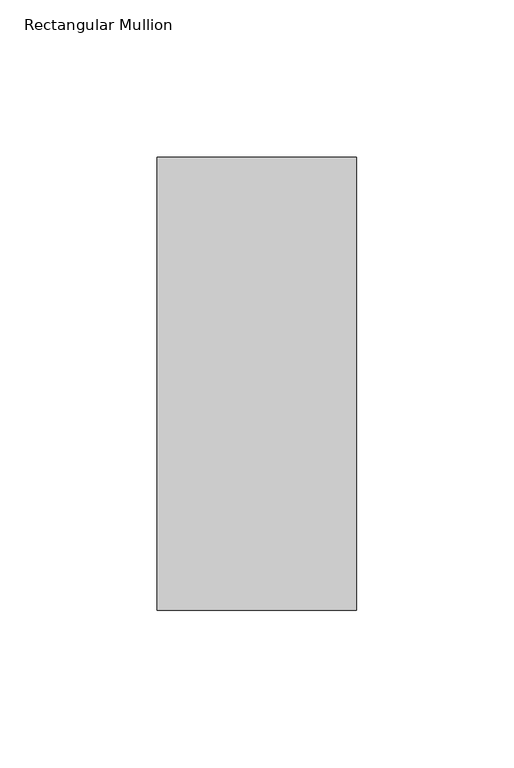
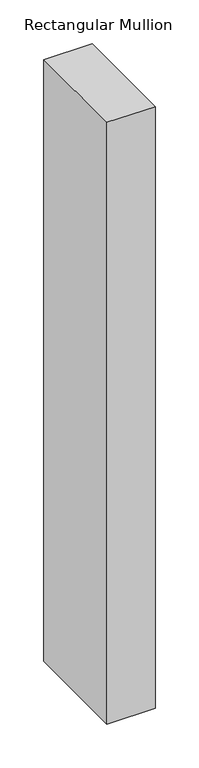
"""IFC4 building model written with IfcOpenShell, lengths in millimetres: member geometry, Rectangular Mullion."""

import ifcopenshell
import ifcopenshell.guid

model = None  # the IFC model being written
_history = None  # IfcOwnerHistory: only IFC2X3 demands one
_inside = {}  # id of a spatial element -> (the spatial element, [elements in it])
_under = {}  # id of a project, library or spatial element -> (it, [spatial elements below it])
_declared = {}  # id of a project -> (the project, [libraries it declares])
_typed = {}  # id of a type object -> (the type object, [elements of that type])
_made_of = {}  # id of a material, layer set ... -> (it, [elements and type objects made of it])


def new_model(schema):
    """Start an empty IFC model of exactly this schema.

    Asked for "IFC4X3", IfcOpenShell would pick the latest addendum, in which some entities
    have other attributes; the version numbers below select the first issue.
    IFC2X3 requires an IfcOwnerHistory on every rooted entity: one is made here for all.
    """
    global model, _history
    if schema == "IFC4X3":
        model = ifcopenshell.file(schema_version=(4, 3, 0, 0))
    else:
        model = ifcopenshell.file(schema=schema)
    _inside.clear()
    _under.clear()
    _declared.clear()
    _typed.clear()
    _made_of.clear()
    _history = None
    if model.schema == "IFC2X3":
        org = make("IfcOrganization", Name="unknown")
        user = make(
            "IfcPersonAndOrganization",
            ThePerson=make("IfcPerson", FamilyName="unknown"),
            TheOrganization=org,
        )
        app = make(
            "IfcApplication",
            ApplicationDeveloper=org,
            Version="unknown",
            ApplicationFullName="unknown",
            ApplicationIdentifier="unknown",
        )
        _history = make(
            "IfcOwnerHistory",
            OwningUser=user,
            OwningApplication=app,
            ChangeAction="ADDED",
            CreationDate=0,
        )
    return model


def make(cls, **values):
    """One entity of the class cls with the attributes given. An attribute that is None is left unset."""
    return model.create_entity(
        cls, **{name: value for name, value in values.items() if value is not None}
    )


def rooted(cls, **values):
    """An entity with a GlobalId (a new one), such as an element, a storey or a relation."""
    return make(cls, GlobalId=ifcopenshell.guid.new(), OwnerHistory=_history, **values)


def si_unit(unit_type, name, prefix=None):
    """IfcSIUnit, for example si_unit("LENGTHUNIT", "METRE", prefix="MILLI")."""
    return make("IfcSIUnit", UnitType=unit_type, Prefix=prefix, Name=name)


def assignment(units):
    """IfcUnitAssignment: the units of a project."""
    return None if units is None else make("IfcUnitAssignment", Units=units)


def point(xyz):
    """IfcCartesianPoint."""
    return None if xyz is None else make("IfcCartesianPoint", Coordinates=xyz)


def direction(xyz):
    """IfcDirection."""
    return None if xyz is None else make("IfcDirection", DirectionRatios=xyz)


def frame(location, z_axis=None, x_axis=None):
    """IfcAxis2Placement3D, a coordinate frame: its origin and axes. An axis left out is left unset."""
    return make(
        "IfcAxis2Placement3D",
        Location=point(location),
        Axis=direction(z_axis),
        RefDirection=direction(x_axis),
    )


def origin():
    """The frame at (0, 0, 0) with its axes left unset."""
    return frame((0.0, 0.0, 0.0))


def place(relative_to, where):
    """IfcLocalPlacement: puts the frame where relative to a parent placement (None: the world)."""
    return make(
        "IfcLocalPlacement", PlacementRelTo=relative_to, RelativePlacement=where
    )


def context(
    kind, dimensions, precision=None, world=None, true_north=None, identifier=None
):
    """IfcGeometricRepresentationContext, for example the 3D "Model" context."""
    return make(
        "IfcGeometricRepresentationContext",
        ContextIdentifier=identifier,
        ContextType=kind,
        CoordinateSpaceDimension=dimensions,
        Precision=precision,
        WorldCoordinateSystem=world,
        TrueNorth=true_north,
    )


def project(units=None, contexts=None):
    """IfcProject with its units and contexts."""
    return rooted(
        "IfcProject",
        Name="project",
        RepresentationContexts=contexts,
        UnitsInContext=assignment(units),
    )


def spatial(cls, under=None, at=None, **own):
    """A site, building, storey or space (cls), placed at a placement, below another one or the project."""
    s = rooted(cls, ObjectPlacement=at, **own)
    if under is not None:
        _under.setdefault(under.id(), (under, []))[1].append(s)
    return s


def polyline(points):
    """IfcPolyline through the points."""
    return make("IfcPolyline", Points=[point(p) for p in points])


def outline(outer, holes=None, kind="AREA"):
    """IfcArbitraryClosedProfileDef: a profile drawn as a closed curve; with holes, ...WithVoids."""
    if holes is None:
        return make("IfcArbitraryClosedProfileDef", ProfileType=kind, OuterCurve=outer)
    return make(
        "IfcArbitraryProfileDefWithVoids",
        ProfileType=kind,
        OuterCurve=outer,
        InnerCurves=holes,
    )


def extrude(swept, where, along, depth):
    """IfcExtrudedAreaSolid: the profile swept, set in the frame where, extruded along a direction by depth."""
    return make(
        "IfcExtrudedAreaSolid",
        SweptArea=swept,
        Position=where,
        ExtrudedDirection=direction(along),
        Depth=depth,
    )


def shape(context_of_items, identifier, shape_type, items):
    """IfcShapeRepresentation: the items that make up one representation, for example the "Body"."""
    return make(
        "IfcShapeRepresentation",
        ContextOfItems=context_of_items,
        RepresentationIdentifier=identifier,
        RepresentationType=shape_type,
        Items=items,
    )


def source(mapping_origin, context_of_items, identifier, shape_type, items):
    """IfcRepresentationMap: a shape defined once, which mapped items show again and again."""
    return make(
        "IfcRepresentationMap",
        MappingOrigin=mapping_origin,
        MappedRepresentation=shape(context_of_items, identifier, shape_type, items),
    )


def transform(
    local_origin,
    x_axis=None,
    y_axis=None,
    z_axis=None,
    scale=None,
    scale2=None,
    scale3=None,
    uniform=True,
):
    """IfcCartesianTransformationOperator3D, or its non-uniform kind. x_axis, y_axis, z_axis: its Axis1, 2, 3."""
    if uniform:
        return make(
            "IfcCartesianTransformationOperator3D",
            Axis1=direction(x_axis),
            Axis2=direction(y_axis),
            LocalOrigin=point(local_origin),
            Scale=scale,
            Axis3=direction(z_axis),
        )
    return make(
        "IfcCartesianTransformationOperator3DnonUniform",
        Axis1=direction(x_axis),
        Axis2=direction(y_axis),
        LocalOrigin=point(local_origin),
        Scale=scale,
        Axis3=direction(z_axis),
        Scale2=scale2,
        Scale3=scale3,
    )


def mapped(mapping_source, mapping_target):
    """IfcMappedItem: shows the shape of a source again, moved by a transform."""
    return make(
        "IfcMappedItem", MappingSource=mapping_source, MappingTarget=mapping_target
    )


def made_of(thing, what):
    """Note that an element or type object is made of a material, layer set ...; save() writes the relation."""
    if what is not None:
        _made_of.setdefault(what.id(), (what, []))[1].append(thing)
    return thing


def element(
    cls,
    number,
    at=None,
    inside=None,
    cuts=None,
    type_object=None,
    material=None,
    context=None,
    identifier="Body",
    shape_type=None,
    held_by="IfcProductDefinitionShape",
    body=None,
    shapes=None,
    **own,
):
    """One element of the class cls, such as IfcWall. Its Tag is "e" and its number.

    at: its placement. inside: the storey or other place that contains it. cuts: it is an
    opening in that element (IfcRelVoidsElement). A single representation is given by context,
    identifier, shape_type and body (its items); several are given by shapes. held_by: the class
    of the entity that holds the representations. save() writes the other relations.
    """
    e = rooted(cls, Tag="e%d" % number, ObjectPlacement=at, **own)
    if body is not None:
        shapes = [shape(context, identifier, shape_type, body)]
    if shapes is not None:
        e.Representation = make(held_by, Representations=shapes)
    if inside is not None:
        _inside.setdefault(inside.id(), (inside, []))[1].append(e)
    if cuts is not None:
        rooted(
            "IfcRelVoidsElement", RelatingBuildingElement=cuts, RelatedOpeningElement=e
        )
    if type_object is not None:
        _typed.setdefault(type_object.id(), (type_object, []))[1].append(e)
    return made_of(e, material)


def aggregate(whole, parts):
    """IfcRelAggregates: a whole, such as a stair, and the parts it consists of."""
    return rooted("IfcRelAggregates", RelatingObject=whole, RelatedObjects=parts)


def save(model, path):
    """Write the relations noted so far, then the file.

    IfcRelAggregates (storeys below a building ...), IfcRelContainedInSpatialStructure (elements
    in a storey), IfcRelDefinesByType, IfcRelAssociatesMaterial and IfcRelDeclares: one each for
    every whole, place, type object, material and project.
    """
    for whole, parts in _under.values():
        aggregate(whole, parts)
    for where, things in _inside.values():
        rooted(
            "IfcRelContainedInSpatialStructure",
            RelatedElements=things,
            RelatingStructure=where,
        )
    for kind, things in _typed.values():
        rooted("IfcRelDefinesByType", RelatedObjects=things, RelatingType=kind)
    for what, things in _made_of.values():
        rooted("IfcRelAssociatesMaterial", RelatedObjects=things, RelatingMaterial=what)
    for by, libraries in _declared.values():
        rooted("IfcRelDeclares", RelatingContext=by, RelatedDefinitions=libraries)
    model.write(path)


def rectangular_mullion_75f0907b(model_context):
    return source(origin(), model_context, "Body", "SweptSolid", [
        extrude(outline(polyline([(31.7499999, 190.7881312), (31.7499999, 46.7447302), (-31.7499998, 46.7447302), (-31.7499998, 190.7881312), (31.7499999, 190.7881312)])), frame((0.0, 0.0, -838.2), z_axis=(0.0, 0.0, 1.0), x_axis=(1.0, 0.0, 0.0)), (0.0, 0.0, 1.0), 838.2),
    ])


if __name__ == "__main__":
    model = new_model("IFC4")
    model_context = context("Model", 3, world=origin())
    ifc_project = project(units=[si_unit("LENGTHUNIT", "METRE", prefix="MILLI")], contexts=[model_context])
    site = spatial("IfcSite", under=ifc_project)
    building = spatial("IfcBuilding", under=site)
    placement = place(None, origin())
    rectangular_mullion_shape = rectangular_mullion_75f0907b(model_context)
    element("IfcMember", 1, ObjectType="Rectangular Mullion", at=placement, inside=building, context=model_context, shape_type="MappedRepresentation", body=[
        mapped(rectangular_mullion_shape, transform((0.0, 0.0, 0.0), x_axis=(1.0, 0.0, 0.0), y_axis=(0.0, 1.0, 0.0), z_axis=(0.0, 0.0, 1.0))),
    ])
    save(model, "model.ifc")
